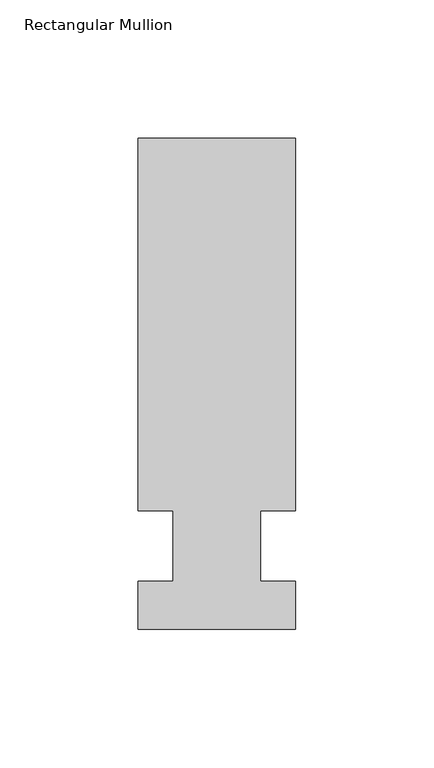
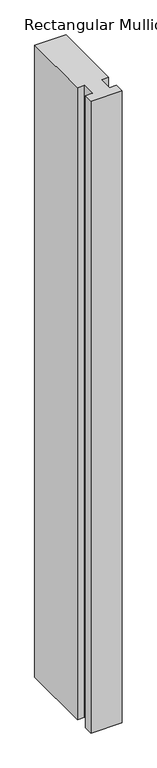
"""IFC4 building model written with IfcOpenShell, lengths in millimetres: member geometry, Rectangular Mullion."""

from ifc_helpers import new_model, si_unit, frame, origin, place, context, project, spatial, polyline, outline, extrude, source, transform, mapped, element, save


def rectangular_mullion_fd3f8164(model_context):
    return source(origin(), model_context, "Body", "SweptSolid", [
        extrude(outline(polyline([(28.575, 147.6375), (28.575, 12.7), (15.8732296, 12.7), (15.8732296, -12.7), (28.575, -12.7), (28.575, -30.1625), (-28.575, -30.1625), (-28.575, -12.7), (-15.875, -12.7), (-15.875, 12.7), (-28.575, 12.7), (-28.575, 147.6375), (28.575, 147.6375)])), frame((0.0, 0.0, -1219.2), z_axis=(0.0, 0.0, 1.0), x_axis=(1.0, 0.0, 0.0)), (0.0, 0.0, 1.0), 1219.2),
    ])


if __name__ == "__main__":
    model = new_model("IFC4")
    model_context = context("Model", 3, world=origin())
    ifc_project = project(units=[si_unit("LENGTHUNIT", "METRE", prefix="MILLI")], contexts=[model_context])
    site = spatial("IfcSite", under=ifc_project)
    building = spatial("IfcBuilding", under=site)
    placement = place(None, origin())
    rectangular_mullion_shape = rectangular_mullion_fd3f8164(model_context)
    element("IfcMember", 1, ObjectType="Rectangular Mullion", at=placement, inside=building, context=model_context, shape_type="MappedRepresentation", body=[
        mapped(rectangular_mullion_shape, transform((0.0, 0.0, 0.0), x_axis=(1.0, 0.0, 0.0), y_axis=(0.0, 1.0, 0.0), z_axis=(0.0, 0.0, 1.0))),
    ])
    save(model, "model.ifc")
